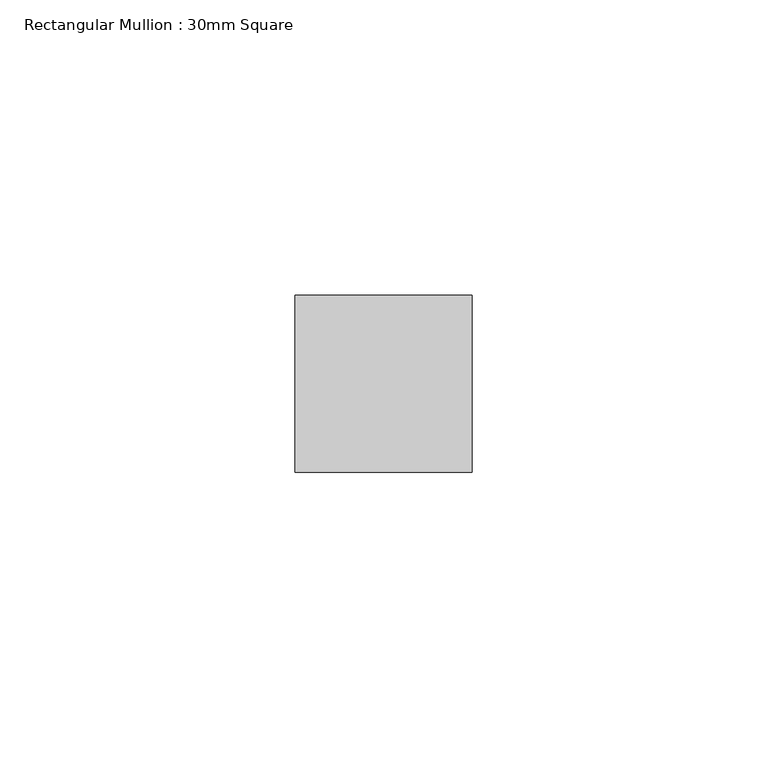
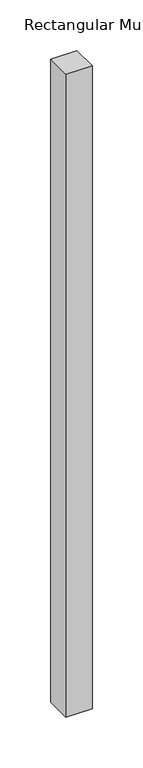
"""IFC4 building model written with IfcOpenShell, lengths in millimetres: member geometry, Rectangular Mullion : 30mm Square."""

import ifcopenshell
import ifcopenshell.guid

model = None  # the IFC model being written
_history = None  # IfcOwnerHistory: only IFC2X3 demands one
_inside = {}  # id of a spatial element -> (the spatial element, [elements in it])
_under = {}  # id of a project, library or spatial element -> (it, [spatial elements below it])
_declared = {}  # id of a project -> (the project, [libraries it declares])
_typed = {}  # id of a type object -> (the type object, [elements of that type])
_made_of = {}  # id of a material, layer set ... -> (it, [elements and type objects made of it])


def new_model(schema):
    """Start an empty IFC model of exactly this schema.

    Asked for "IFC4X3", IfcOpenShell would pick the latest addendum, in which some entities
    have other attributes; the version numbers below select the first issue.
    IFC2X3 requires an IfcOwnerHistory on every rooted entity: one is made here for all.
    """
    global model, _history
    if schema == "IFC4X3":
        model = ifcopenshell.file(schema_version=(4, 3, 0, 0))
    else:
        model = ifcopenshell.file(schema=schema)
    _inside.clear()
    _under.clear()
    _declared.clear()
    _typed.clear()
    _made_of.clear()
    _history = None
    if model.schema == "IFC2X3":
        org = make("IfcOrganization", Name="unknown")
        user = make(
            "IfcPersonAndOrganization",
            ThePerson=make("IfcPerson", FamilyName="unknown"),
            TheOrganization=org,
        )
        app = make(
            "IfcApplication",
            ApplicationDeveloper=org,
            Version="unknown",
            ApplicationFullName="unknown",
            ApplicationIdentifier="unknown",
        )
        _history = make(
            "IfcOwnerHistory",
            OwningUser=user,
            OwningApplication=app,
            ChangeAction="ADDED",
            CreationDate=0,
        )
    return model


def make(cls, **values):
    """One entity of the class cls with the attributes given. An attribute that is None is left unset."""
    return model.create_entity(
        cls, **{name: value for name, value in values.items() if value is not None}
    )


def rooted(cls, **values):
    """An entity with a GlobalId (a new one), such as an element, a storey or a relation."""
    return make(cls, GlobalId=ifcopenshell.guid.new(), OwnerHistory=_history, **values)


def si_unit(unit_type, name, prefix=None):
    """IfcSIUnit, for example si_unit("LENGTHUNIT", "METRE", prefix="MILLI")."""
    return make("IfcSIUnit", UnitType=unit_type, Prefix=prefix, Name=name)


def assignment(units):
    """IfcUnitAssignment: the units of a project."""
    return None if units is None else make("IfcUnitAssignment", Units=units)


def point(xyz):
    """IfcCartesianPoint."""
    return None if xyz is None else make("IfcCartesianPoint", Coordinates=xyz)


def direction(xyz):
    """IfcDirection."""
    return None if xyz is None else make("IfcDirection", DirectionRatios=xyz)


def frame(location, z_axis=None, x_axis=None):
    """IfcAxis2Placement3D, a coordinate frame: its origin and axes. An axis left out is left unset."""
    return make(
        "IfcAxis2Placement3D",
        Location=point(location),
        Axis=direction(z_axis),
        RefDirection=direction(x_axis),
    )


def origin():
    """The frame at (0, 0, 0) with its axes left unset."""
    return frame((0.0, 0.0, 0.0))


def place(relative_to, where):
    """IfcLocalPlacement: puts the frame where relative to a parent placement (None: the world)."""
    return make(
        "IfcLocalPlacement", PlacementRelTo=relative_to, RelativePlacement=where
    )


def context(
    kind, dimensions, precision=None, world=None, true_north=None, identifier=None
):
    """IfcGeometricRepresentationContext, for example the 3D "Model" context."""
    return make(
        "IfcGeometricRepresentationContext",
        ContextIdentifier=identifier,
        ContextType=kind,
        CoordinateSpaceDimension=dimensions,
        Precision=precision,
        WorldCoordinateSystem=world,
        TrueNorth=true_north,
    )


def project(units=None, contexts=None):
    """IfcProject with its units and contexts."""
    return rooted(
        "IfcProject",
        Name="project",
        RepresentationContexts=contexts,
        UnitsInContext=assignment(units),
    )


def spatial(cls, under=None, at=None, **own):
    """A site, building, storey or space (cls), placed at a placement, below another one or the project."""
    s = rooted(cls, ObjectPlacement=at, **own)
    if under is not None:
        _under.setdefault(under.id(), (under, []))[1].append(s)
    return s


def polyline(points):
    """IfcPolyline through the points."""
    return make("IfcPolyline", Points=[point(p) for p in points])


def outline(outer, holes=None, kind="AREA"):
    """IfcArbitraryClosedProfileDef: a profile drawn as a closed curve; with holes, ...WithVoids."""
    if holes is None:
        return make("IfcArbitraryClosedProfileDef", ProfileType=kind, OuterCurve=outer)
    return make(
        "IfcArbitraryProfileDefWithVoids",
        ProfileType=kind,
        OuterCurve=outer,
        InnerCurves=holes,
    )


def extrude(swept, where, along, depth):
    """IfcExtrudedAreaSolid: the profile swept, set in the frame where, extruded along a direction by depth."""
    return make(
        "IfcExtrudedAreaSolid",
        SweptArea=swept,
        Position=where,
        ExtrudedDirection=direction(along),
        Depth=depth,
    )


def shape(context_of_items, identifier, shape_type, items):
    """IfcShapeRepresentation: the items that make up one representation, for example the "Body"."""
    return make(
        "IfcShapeRepresentation",
        ContextOfItems=context_of_items,
        RepresentationIdentifier=identifier,
        RepresentationType=shape_type,
        Items=items,
    )


def source(mapping_origin, context_of_items, identifier, shape_type, items):
    """IfcRepresentationMap: a shape defined once, which mapped items show again and again."""
    return make(
        "IfcRepresentationMap",
        MappingOrigin=mapping_origin,
        MappedRepresentation=shape(context_of_items, identifier, shape_type, items),
    )


def transform(
    local_origin,
    x_axis=None,
    y_axis=None,
    z_axis=None,
    scale=None,
    scale2=None,
    scale3=None,
    uniform=True,
):
    """IfcCartesianTransformationOperator3D, or its non-uniform kind. x_axis, y_axis, z_axis: its Axis1, 2, 3."""
    if uniform:
        return make(
            "IfcCartesianTransformationOperator3D",
            Axis1=direction(x_axis),
            Axis2=direction(y_axis),
            LocalOrigin=point(local_origin),
            Scale=scale,
            Axis3=direction(z_axis),
        )
    return make(
        "IfcCartesianTransformationOperator3DnonUniform",
        Axis1=direction(x_axis),
        Axis2=direction(y_axis),
        LocalOrigin=point(local_origin),
        Scale=scale,
        Axis3=direction(z_axis),
        Scale2=scale2,
        Scale3=scale3,
    )


def mapped(mapping_source, mapping_target):
    """IfcMappedItem: shows the shape of a source again, moved by a transform."""
    return make(
        "IfcMappedItem", MappingSource=mapping_source, MappingTarget=mapping_target
    )


def made_of(thing, what):
    """Note that an element or type object is made of a material, layer set ...; save() writes the relation."""
    if what is not None:
        _made_of.setdefault(what.id(), (what, []))[1].append(thing)
    return thing


def element(
    cls,
    number,
    at=None,
    inside=None,
    cuts=None,
    type_object=None,
    material=None,
    context=None,
    identifier="Body",
    shape_type=None,
    held_by="IfcProductDefinitionShape",
    body=None,
    shapes=None,
    **own,
):
    """One element of the class cls, such as IfcWall. Its Tag is "e" and its number.

    at: its placement. inside: the storey or other place that contains it. cuts: it is an
    opening in that element (IfcRelVoidsElement). A single representation is given by context,
    identifier, shape_type and body (its items); several are given by shapes. held_by: the class
    of the entity that holds the representations. save() writes the other relations.
    """
    e = rooted(cls, Tag="e%d" % number, ObjectPlacement=at, **own)
    if body is not None:
        shapes = [shape(context, identifier, shape_type, body)]
    if shapes is not None:
        e.Representation = make(held_by, Representations=shapes)
    if inside is not None:
        _inside.setdefault(inside.id(), (inside, []))[1].append(e)
    if cuts is not None:
        rooted(
            "IfcRelVoidsElement", RelatingBuildingElement=cuts, RelatedOpeningElement=e
        )
    if type_object is not None:
        _typed.setdefault(type_object.id(), (type_object, []))[1].append(e)
    return made_of(e, material)


def aggregate(whole, parts):
    """IfcRelAggregates: a whole, such as a stair, and the parts it consists of."""
    return rooted("IfcRelAggregates", RelatingObject=whole, RelatedObjects=parts)


def save(model, path):
    """Write the relations noted so far, then the file.

    IfcRelAggregates (storeys below a building ...), IfcRelContainedInSpatialStructure (elements
    in a storey), IfcRelDefinesByType, IfcRelAssociatesMaterial and IfcRelDeclares: one each for
    every whole, place, type object, material and project.
    """
    for whole, parts in _under.values():
        aggregate(whole, parts)
    for where, things in _inside.values():
        rooted(
            "IfcRelContainedInSpatialStructure",
            RelatedElements=things,
            RelatingStructure=where,
        )
    for kind, things in _typed.values():
        rooted("IfcRelDefinesByType", RelatedObjects=things, RelatingType=kind)
    for what, things in _made_of.values():
        rooted("IfcRelAssociatesMaterial", RelatedObjects=things, RelatingMaterial=what)
    for by, libraries in _declared.values():
        rooted("IfcRelDeclares", RelatingContext=by, RelatedDefinitions=libraries)
    model.write(path)


def rectangular_mullion_30mm_square_ca040a11(model_context):
    return source(origin(), model_context, "Body", "SweptSolid", [
        extrude(outline(polyline([(0.0, 15.0), (0.0, -15.0), (-30.0, -15.0), (-30.0, 15.0), (0.0, 15.0)])), frame((0.0, 0.0, -776.0354287), z_axis=(0.0, 0.0, 1.0), x_axis=(1.0, 0.0, 0.0)), (0.0, 0.0, 1.0), 776.0354287),
    ])


if __name__ == "__main__":
    model = new_model("IFC4")
    model_context = context("Model", 3, world=origin())
    ifc_project = project(units=[si_unit("LENGTHUNIT", "METRE", prefix="MILLI")], contexts=[model_context])
    site = spatial("IfcSite", under=ifc_project)
    building = spatial("IfcBuilding", under=site)
    placement = place(None, origin())
    rectangular_mullion_30mm_square_shape = rectangular_mullion_30mm_square_ca040a11(model_context)
    element("IfcMember", 1, ObjectType="Rectangular Mullion : 30mm Square", at=placement, inside=building, context=model_context, shape_type="MappedRepresentation", body=[
        mapped(rectangular_mullion_30mm_square_shape, transform((0.0, 0.0, 0.0), x_axis=(1.0, 0.0, 0.0), y_axis=(0.0, 1.0, 0.0), z_axis=(0.0, 0.0, 1.0))),
    ])
    save(model, "model.ifc")
